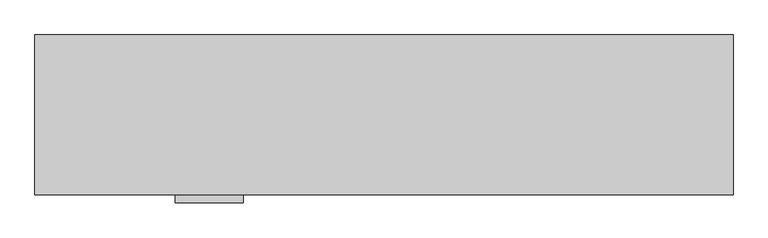
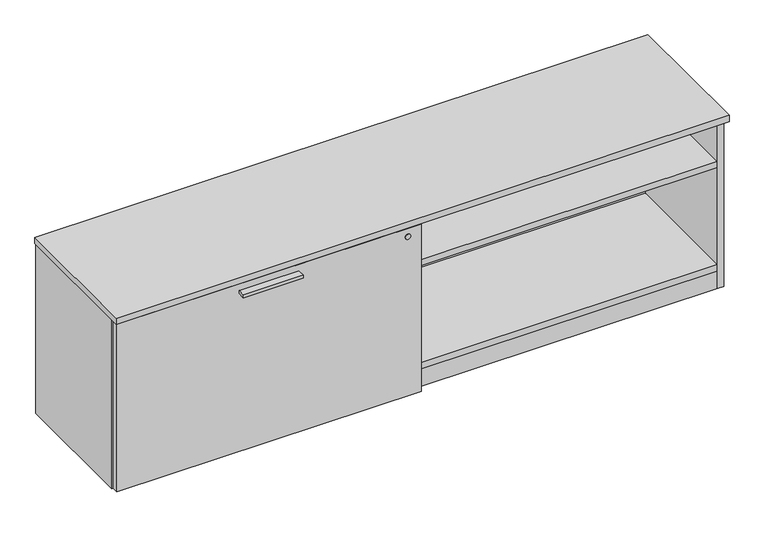
"""IFC4 building model written with IfcOpenShell, lengths in millimetres: furniture geometry."""

from ifc_helpers import new_model, si_unit, point, frame, frame_2d, origin, origin_with_axes, place, context, project, spatial, polyline, circle_curve, trimmed, segment, composite_curve, outline, extrude, source, transform, mapped, element, save


def furniture_96292570(model_context):
    return source(origin(), model_context, "Body", "SweptSolid", [
        extrude(outline(polyline([(546.0365, -447.8158592), (368.2365, -447.8158592), (368.2365, -425.5908592), (546.0365, -425.5908592), (546.0365, -447.8158592)])), frame((0.0, 0.0, 506.1508939), z_axis=(0.0, 0.0, 1.0), x_axis=(1.0, 0.0, 0.0)), (0.0, 0.0, 1.0), 9.525),
        extrude(outline(composite_curve([segment(trimmed(circle_curve(frame_2d((914.4, -217.6283713)), 4.445), [point((918.845, -217.6283713))], [point((909.955, -217.6283713))], False, "CARTESIAN"), True, "CONTINUOUS"), segment(trimmed(circle_curve(frame_2d((914.4, -217.6283713)), 4.445), [point((909.955, -217.6283713))], [point((918.845, -217.6283713))], False, "CARTESIAN"), True, "CONTINUOUS")], self_intersect=False)), frame((0.0, 0.0, 7.112), z_axis=(0.0, 0.0, 1.0), x_axis=(1.0, 0.0, 0.0)), (0.0, 0.0, 1.0), 2.032),
        extrude(outline(polyline([(920.0872187, -207.7297009), (925.8022187, -217.6283713), (920.0872187, -227.5270417), (908.6572187, -227.5270417), (902.9422187, -217.6283713), (908.6572187, -207.7297009), (920.0872187, -207.7297009)])), origin_with_axes(), (0.0, 0.0, 1.0), 9.144),
        extrude(outline(composite_curve([segment(trimmed(circle_curve(frame_2d((876.173, -246.2033713)), 3.175), [point((876.173, -249.3783713))], [point((872.998, -246.2033713))], False, "CARTESIAN"), True, "CONTINUOUS"), segment(polyline([(872.998, -246.2033713), (872.998, -189.0533713)]), True, "CONTINUOUS"), segment(trimmed(circle_curve(frame_2d((876.173, -189.0533713)), 3.175), [point((872.998, -189.0533713))], [point((876.173, -185.8783713))], False, "CARTESIAN"), True, "CONTINUOUS"), segment(polyline([(876.173, -185.8783713), (952.627, -185.8783713)]), True, "CONTINUOUS"), segment(trimmed(circle_curve(frame_2d((952.627, -189.0533713)), 3.175), [point((952.627, -185.8783713))], [point((955.802, -189.0533713))], False, "CARTESIAN"), True, "CONTINUOUS"), segment(polyline([(955.802, -189.0533713), (955.802, -246.2033713)]), True, "CONTINUOUS"), segment(trimmed(circle_curve(frame_2d((952.627, -246.2033713)), 3.175), [point((955.802, -246.2033713))], [point((952.627, -249.3783713))], False, "CARTESIAN"), True, "CONTINUOUS"), segment(polyline([(952.627, -249.3783713), (876.173, -249.3783713)]), True, "CONTINUOUS")], self_intersect=False)), frame((0.0, 0.0, 58.3692), z_axis=(0.0, 0.0, 1.0), x_axis=(1.0, 0.0, 0.0)), (0.0, 0.0, 1.0), 1.89738),
        extrude(outline(composite_curve([segment(polyline([(925.83, -230.3283713), (902.97, -230.3283713)]), True, "CONTINUOUS"), segment(trimmed(circle_curve(frame_2d((902.97, -229.0583713)), 1.27), [point((902.97, -230.3283713))], [point((901.7, -229.0583713))], False, "CARTESIAN"), True, "CONTINUOUS"), segment(polyline([(901.7, -229.0583713), (901.7, -206.1983713)]), True, "CONTINUOUS"), segment(trimmed(circle_curve(frame_2d((902.97, -206.1983713)), 1.27), [point((901.7, -206.1983713))], [point((902.97, -204.9283713))], False, "CARTESIAN"), True, "CONTINUOUS"), segment(polyline([(902.97, -204.9283713), (925.83, -204.9283713)]), True, "CONTINUOUS"), segment(trimmed(circle_curve(frame_2d((925.83, -206.1983713)), 1.27), [point((925.83, -204.9283713))], [point((927.1, -206.1983713))], False, "CARTESIAN"), True, "CONTINUOUS"), segment(polyline([(927.1, -206.1983713), (927.1, -229.0583713)]), True, "CONTINUOUS"), segment(trimmed(circle_curve(frame_2d((925.83, -229.0583713)), 1.27), [point((927.1, -229.0583713))], [point((925.83, -230.3283713))], False, "CARTESIAN"), True, "CONTINUOUS")], self_intersect=False)), frame((0.0, 0.0, 9.144), z_axis=(0.0, 0.0, 1.0), x_axis=(1.0, 0.0, 0.0)), (0.0, 0.0, 1.0), 49.2252),
        extrude(outline(polyline([(1766.4692022, -345.6355984), (1782.41706, -336.4280984), (1798.3649178, -345.6355984), (1798.3649178, -364.0505984), (1782.41706, -373.2580984), (1766.4692022, -364.0505984), (1766.4692022, -345.6355984)])), origin_with_axes(), (0.0, 0.0, 1.0), 9.144),
        extrude(outline(polyline([(1766.4692022, -47.1181713), (1782.41706, -37.9106713), (1798.3649178, -47.1181713), (1798.3649178, -65.5331713), (1782.41706, -74.7406713), (1766.4692022, -65.5331713), (1766.4692022, -47.1181713)])), origin_with_axes(), (0.0, 0.0, 1.0), 9.144),
        extrude(outline(polyline([(30.4350822, -345.6355984), (46.38294, -336.4280984), (62.3307978, -345.6355984), (62.3307978, -364.0505984), (46.38294, -373.2580984), (30.4350822, -364.0505984), (30.4350822, -345.6355984)])), origin_with_axes(), (0.0, 0.0, 1.0), 9.144),
        extrude(outline(polyline([(30.4350822, -47.1181713), (46.38294, -37.9106713), (62.3307978, -47.1181713), (62.3307978, -65.5331713), (46.38294, -74.7406713), (30.4350822, -65.5331713), (30.4350822, -47.1181713)])), origin_with_axes(), (0.0, 0.0, 1.0), 9.144),
        extrude(outline(polyline([(1807.9085154, -401.5878548), (20.8915005, -401.5878548), (20.8915005, -382.2838548), (1807.9085154, -382.2838548), (1807.9085154, -401.5878548)])), frame((0.0, 0.0, 4.699), z_axis=(0.0, 0.0, 1.0), x_axis=(1.0, 0.0, 0.0)), (0.0, 0.0, 1.0), 55.56758),
        extrude(outline(polyline([(3.175, -406.2868776), (911.098, -406.2868776), (911.098, -425.5908592), (3.175, -425.5908592), (3.175, -406.2868776)])), frame((0.0, 0.0, 7.874), z_axis=(0.0, 0.0, 1.0), x_axis=(1.0, 0.0, 0.0)), (0.0, 0.0, 1.0), 528.4393939),
        extrude(outline(polyline([(1807.9085154, -30.4938704), (1807.9085154, -402.7308447), (20.8915005, -402.7308447), (20.8915005, -30.4938704), (1807.9085154, -30.4938704)])), frame((0.0, 0.0, 520.1843787), z_axis=(0.0, 0.0, 1.0), x_axis=(1.0, 0.0, 0.0)), (0.0, 0.0, 1.0), 19.304),
        extrude(outline(polyline([(912.6855, -30.4938704), (912.6855, -401.5878548), (893.3815, -401.5878548), (893.3815, -30.4938704), (912.6855, -30.4938704)])), frame((0.0, 0.0, 79.57058), z_axis=(0.0, 0.0, 1.0), x_axis=(1.0, 0.0, 0.0)), (0.0, 0.0, 1.0), 440.6137987),
        extrude(outline(polyline([(1807.9085, -30.4938704), (1807.9085, -400.8258374), (912.6855, -400.8258374), (912.6855, -30.4938704), (1807.9085, -30.4938704)])), frame((0.0, 0.0, 384.3705787), z_axis=(0.0, 0.0, 1.0), x_axis=(1.0, 0.0, 0.0)), (0.0, 0.0, 1.0), 19.304),
        extrude(outline(polyline([(1828.8, -8.0783713), (1828.8, -427.1783713), (0.0, -427.1783713), (0.0, -8.0783713), (1828.8, -8.0783713)])), frame((0.0, 0.0, 539.4883818), z_axis=(0.0, 0.0, 1.0), x_axis=(1.0, 0.0, 0.0)), (0.0, 0.0, 1.0), 19.0499969),
        extrude(outline(polyline([(1807.9085154, -30.4938704), (1807.9085154, -402.7308447), (20.8915005, -402.7308447), (20.8915005, -30.4938704), (1807.9085154, -30.4938704)])), frame((0.0, 0.0, 60.26658), z_axis=(0.0, 0.0, 1.0), x_axis=(1.0, 0.0, 0.0)), (0.0, 0.0, 1.0), 19.304),
        extrude(outline(polyline([(1807.9085154, -11.1898712), (1807.9085154, -30.4938704), (20.8915005, -30.4938704), (20.8915005, -11.1898712), (1807.9085154, -11.1898712)])), frame((0.0, 0.0, 4.699), z_axis=(0.0, 0.0, 1.0), x_axis=(1.0, 0.0, 0.0)), (0.0, 0.0, 1.0), 534.7893787),
        extrude(outline(polyline([(20.8915005, -9.6658713), (20.8915005, -403.1118534), (1.5875, -403.1118534), (1.5875, -9.6658713), (20.8915005, -9.6658713)])), frame((0.0, 0.0, 4.699), z_axis=(0.0, 0.0, 1.0), x_axis=(1.0, 0.0, 0.0)), (0.0, 0.0, 1.0), 534.7893787),
        extrude(outline(polyline([(1807.9085154, -9.6658713), (1827.2125158, -9.6658713), (1827.2125158, -403.1118534), (1807.9085154, -403.1118534), (1807.9085154, -9.6658713)])), frame((0.0, 0.0, 4.699), z_axis=(0.0, 0.0, 1.0), x_axis=(1.0, 0.0, 0.0)), (0.0, 0.0, 1.0), 534.7893787),
        extrude(outline(composite_curve([segment(trimmed(circle_curve(frame_2d((510.9133939, 871.093)), 8.001), [point((510.9133939, 879.094))], [point((510.9133939, 863.092))], False, "CARTESIAN"), True, "CONTINUOUS"), segment(trimmed(circle_curve(frame_2d((510.9133939, 871.093)), 8.001), [point((510.9133939, 863.092))], [point((510.9133939, 879.094))], False, "CARTESIAN"), True, "CONTINUOUS")], self_intersect=False)), frame((0.0, -427.1783713, 0.0), z_axis=(0.0, 1.0, 0.0), x_axis=(0.0, 0.0, 1.0)), (0.0, 0.0, 1.0), 1.5875121),
    ])


if __name__ == "__main__":
    model = new_model("IFC4")
    model_context = context("Model", 3, world=origin())
    ifc_project = project(units=[si_unit("LENGTHUNIT", "METRE", prefix="MILLI")], contexts=[model_context])
    site = spatial("IfcSite", under=ifc_project)
    building = spatial("IfcBuilding", under=site)
    placement = place(None, origin())
    furniture_shape = furniture_96292570(model_context)
    element("IfcFurniture", 1, at=placement, inside=building, context=model_context, shape_type="MappedRepresentation", body=[
        mapped(furniture_shape, transform((0.0, 0.0, 0.0), x_axis=(1.0, 0.0, 0.0), y_axis=(0.0, 1.0, 0.0), z_axis=(0.0, 0.0, 1.0))),
    ])
    save(model, "model.ifc")
